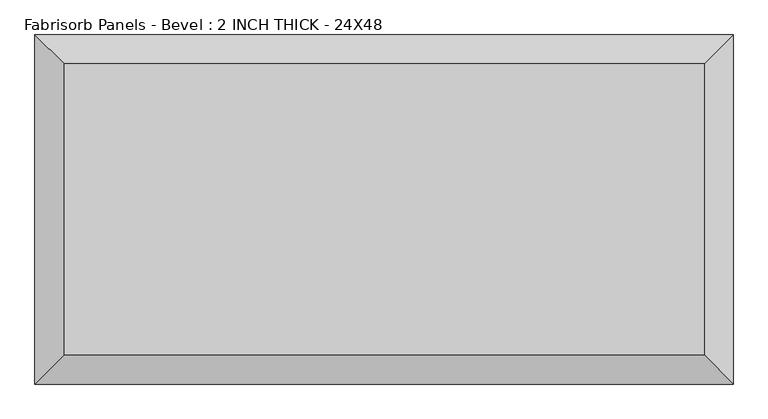
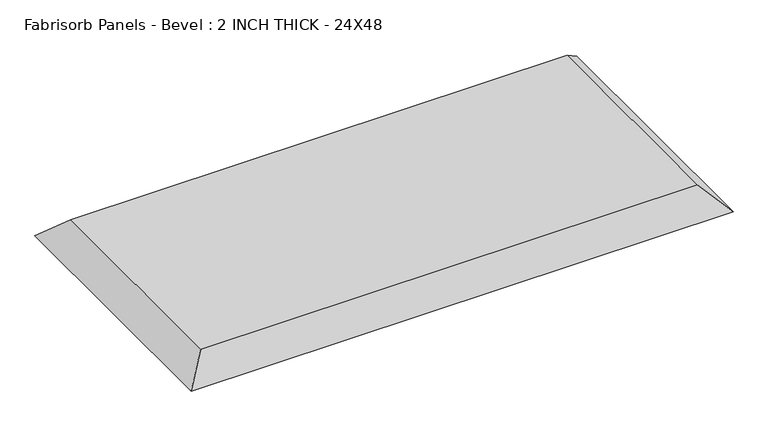
"""IFC4 building model written with IfcOpenShell, lengths in millimetres: proxy geometry, Fabrisorb Panels - Bevel : 2 INCH THICK - 24X48."""

from ifc_helpers import new_model, si_unit, origin, place, context, project, spatial, faceted_brep, source, transform, mapped, element, save


def fabrisorb_panels_bevel_2_inch_thick_24x48_9cd5d452(model_context):
    return source(origin(), model_context, "Body", "Brep", [
        faceted_brep([(558.8, 254.0, 50.8), (-558.8, 254.0, 50.8), (-558.8, -254.0, 50.8), (558.8, -254.0, 50.8), (-609.6, 304.8, 0.0), (609.6, 304.8, 0.0), (609.6, -304.8, 0.0), (-609.6, -304.8, 0.0)], [[[0, 1, 2, 3]], [[4, 5, 6, 7]], [[4, 1, 0, 5]], [[1, 4, 7, 2]], [[2, 7, 6, 3]], [[5, 0, 3, 6]]]),
    ])


if __name__ == "__main__":
    model = new_model("IFC4")
    model_context = context("Model", 3, world=origin())
    ifc_project = project(units=[si_unit("LENGTHUNIT", "METRE", prefix="MILLI")], contexts=[model_context])
    site = spatial("IfcSite", under=ifc_project)
    building = spatial("IfcBuilding", under=site)
    placement = place(None, origin())
    fabrisorb_panels_bevel_2_inch_thick_24x48_shape = fabrisorb_panels_bevel_2_inch_thick_24x48_9cd5d452(model_context)
    element("IfcBuildingElementProxy", 1, Name="Fabrisorb Panels - Bevel : 2 INCH THICK - 24X48", ObjectType="Fabrisorb Panels - Bevel : 2 INCH THICK - 24X48", at=placement, inside=building, context=model_context, shape_type="MappedRepresentation", body=[
        mapped(fabrisorb_panels_bevel_2_inch_thick_24x48_shape, transform((0.0, 0.0, 0.0), x_axis=(1.0, 0.0, 0.0), y_axis=(0.0, 1.0, 0.0), z_axis=(0.0, 0.0, 1.0))),
    ])
    save(model, "model.ifc")
